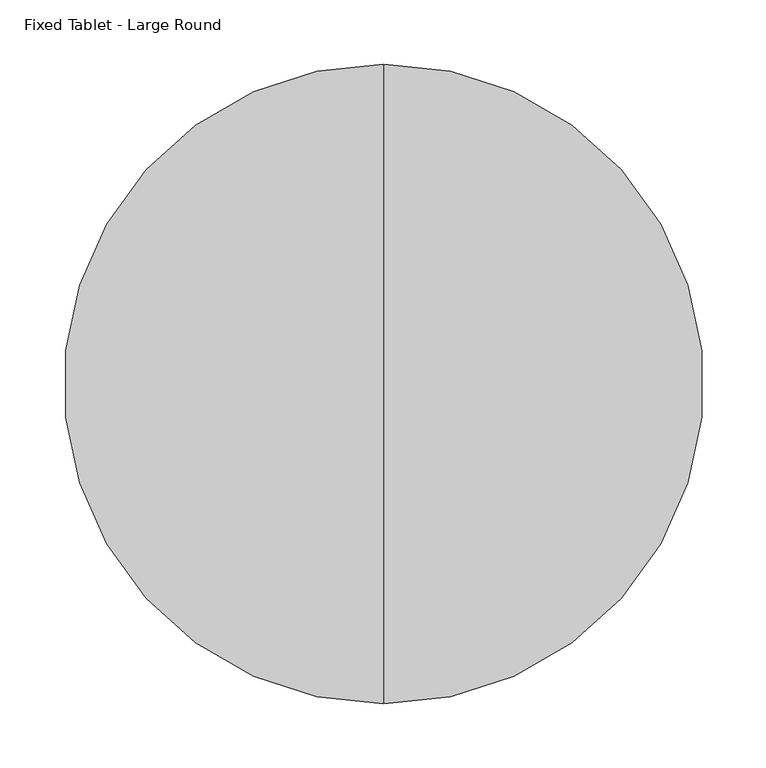
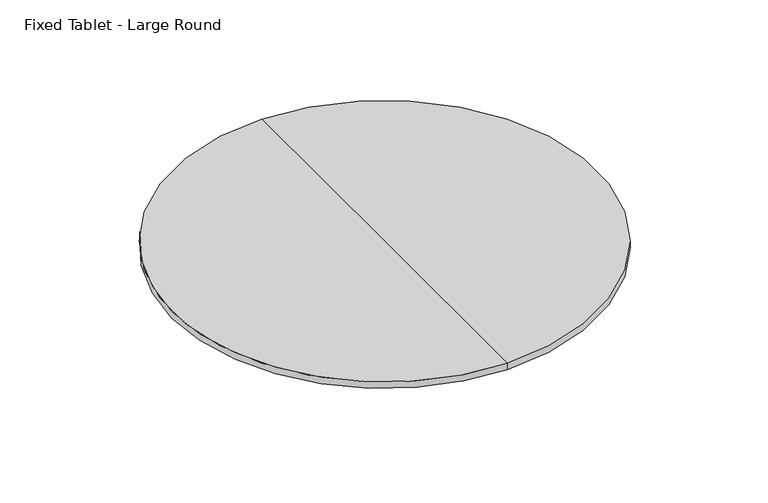
"""IFC4 building model written with IfcOpenShell, lengths in millimetres: furniture geometry, Fixed Tablet - Large Round."""

from ifc_helpers import new_model, si_unit, frame, origin, place, context, project, spatial, polyline, circle_curve, source, transform, mapped, element, save
from ifc_brep_helpers import plane_surface, cylinder_surface, revolved_surface, advanced_brep


def fixed_tablet_large_round_5e9e4fbb(model_context):
    return source(origin(), model_context, "Body", "AdvancedBrep", [
        advanced_brep(
        [(-75.0, 144.7403646, 732.0000801), (-75.0, -355.0000608, 732.0000801), (-75.0, -355.0000608, 740.0001005), (-75.0, 144.7403646, 740.0001005), (-75.0, 94.7403643, 715.0001003), (-75.0, -305.0000605, 715.0001003), (-75.0, -105.1298481, 715.0001003), (-75.0, -105.1298481, 740.0001005)],
        [
            (0, 1, circle_curve(frame((-75.0, -105.1298481, 732.0000801), z_axis=(0.0, 0.0, 1.0), x_axis=(0.0, -1.0, 0.0)), 249.8702127)),
            (1, 2),
            (2, 3, circle_curve(frame((-75.0, -105.1298481, 740.0001005), z_axis=(0.0, 0.0, -1.0), x_axis=(0.0, -1.0, 0.0)), 249.8702127)),
            (3, 0),
            (1, 0, circle_curve(frame((-75.0, -105.1298481, 732.0000801), z_axis=(0.0, 0.0, 1.0), x_axis=(0.0, -1.0, 0.0)), 249.8702127)),
            (3, 2, circle_curve(frame((-75.0, -105.1298481, 740.0001005), z_axis=(0.0, 0.0, -1.0), x_axis=(0.0, -1.0, 0.0)), 249.8702127)),
            (4, 5, circle_curve(frame((-75.0, -105.1298481, 715.0001003), z_axis=(0.0, 0.0, 1.0), x_axis=(0.0, -1.0, 0.0)), 199.8702124)),
            (5, 1),
            (0, 4),
            (5, 4, circle_curve(frame((-75.0, -105.1298481, 715.0001003), z_axis=(0.0, 0.0, 1.0), x_axis=(0.0, -1.0, 0.0)), 199.8702124)),
            (6, 5),
            (4, 6),
            (2, 7),
            (7, 3),
        ],
        [
            cylinder_surface(frame((-75.0, -105.1298481, 830.0001005), z_axis=(0.0, 0.0, -1.0), x_axis=(0.0, -1.0, 0.0)), 249.8702127),
            revolved_surface(polyline([(-75.0, -355.0000608, 732.0000801), (-75.0, -305.0000605, 715.0001003)]), (-75.0, -105.1298481, 830.0001005), (0.0, 0.0, -1.0)),
            plane_surface(frame((-75.0, -105.1298481, 715.0001003), z_axis=(0.0, 0.0, -1.0), x_axis=(0.0, -1.0, 0.0))),
            plane_surface(frame((-75.0, -105.1298481, 740.0001005), z_axis=(0.0, 0.0, 1.0), x_axis=(0.0, -1.0, 0.0))),
        ],
        [
            (0, [[1, 2, 3, 4]]),
            (0, [[5, -4, 6, -2]]),
            (1, [[7, 8, -1, 9]]),
            (1, [[10, -9, -5, -8]]),
            (2, [[11, -7, 12]]),
            (2, [[-12, -10, -11]]),
            (3, [[-3, 13, 14]]),
            (3, [[-6, -14, -13]]),
        ],
    ),
    ])


if __name__ == "__main__":
    model = new_model("IFC4")
    model_context = context("Model", 3, world=origin())
    ifc_project = project(units=[si_unit("LENGTHUNIT", "METRE", prefix="MILLI")], contexts=[model_context])
    site = spatial("IfcSite", under=ifc_project)
    building = spatial("IfcBuilding", under=site)
    placement = place(None, origin())
    fixed_tablet_large_round_shape = fixed_tablet_large_round_5e9e4fbb(model_context)
    element("IfcFurniture", 1, ObjectType="Fixed Tablet - Large Round", at=placement, inside=building, context=model_context, shape_type="MappedRepresentation", body=[
        mapped(fixed_tablet_large_round_shape, transform((0.0, 0.0, 0.0), x_axis=(1.0, 0.0, 0.0), y_axis=(0.0, 1.0, 0.0), z_axis=(0.0, 0.0, 1.0))),
    ])
    save(model, "model.ifc")
